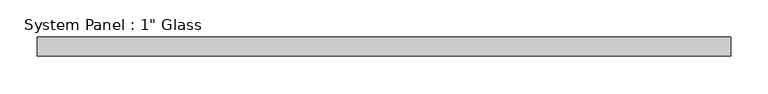
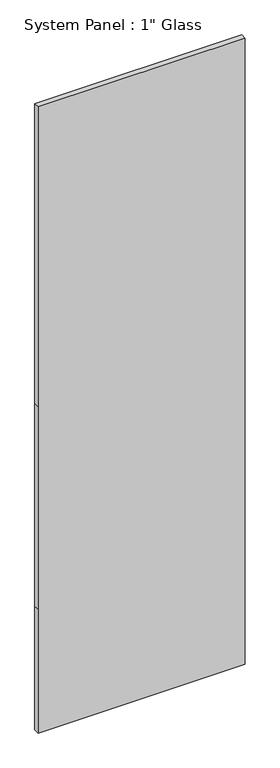
"""IFC4 building model written with IfcOpenShell, lengths in millimetres: plate geometry."""

from ifc_helpers import new_model, si_unit, frame, origin, place, context, project, spatial, polyline, outline, extrude, source, transform, mapped, element, save


def plate_ff26b6d9(model_context):
    return source(origin(), model_context, "Body", "SweptSolid", [
        extrude(outline(polyline([(0.0, -463.1158815), (0.0, 463.1158815), (584.2, 463.1158815), (1543.05, 463.1158815), (2959.1, 463.1158815), (2959.1, -463.1158815), (1543.05, -463.1158815), (584.2, -463.1158815), (0.0, -463.1158815)])), frame((0.0, -12.7, 0.0), z_axis=(0.0, 1.0, 0.0), x_axis=(0.0, 0.0, 1.0)), (0.0, 0.0, 1.0), 25.4),
    ])


if __name__ == "__main__":
    model = new_model("IFC4")
    model_context = context("Model", 3, world=origin())
    ifc_project = project(units=[si_unit("LENGTHUNIT", "METRE", prefix="MILLI")], contexts=[model_context])
    site = spatial("IfcSite", under=ifc_project)
    building = spatial("IfcBuilding", under=site)
    placement = place(None, origin())
    plate_shape = plate_ff26b6d9(model_context)
    element("IfcPlate", 1, ObjectType="System Panel : 1\" Glass", at=placement, inside=building, context=model_context, shape_type="MappedRepresentation", body=[
        mapped(plate_shape, transform((0.0, 0.0, 0.0), x_axis=(1.0, 0.0, 0.0), y_axis=(0.0, 1.0, 0.0), z_axis=(0.0, 0.0, 1.0))),
    ])
    save(model, "model.ifc")
